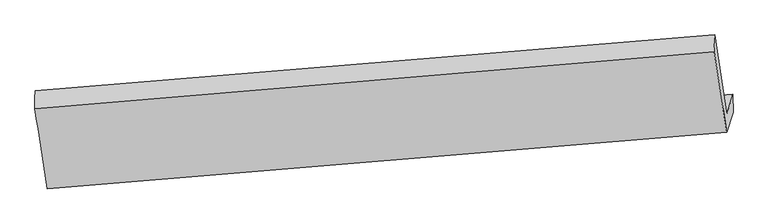
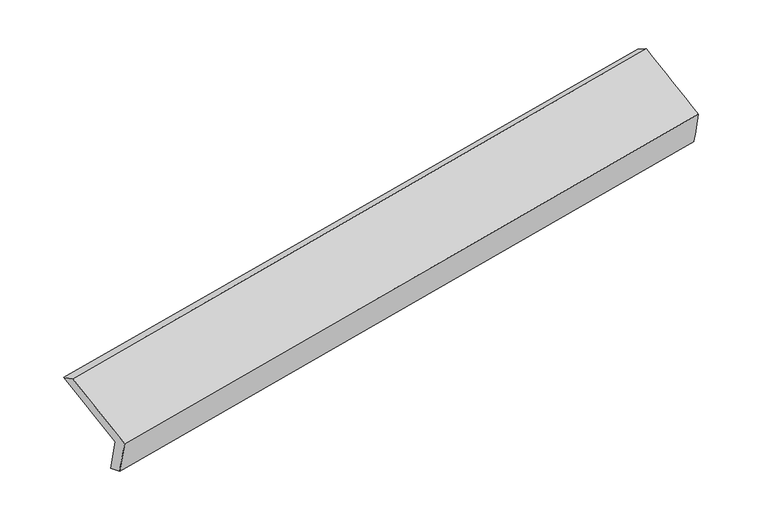
"""IFC4 building model written with IfcOpenShell, lengths in millimetres: proxy geometry."""

from ifc_helpers import new_model, si_unit, frame, origin, place, context, project, spatial, source, transform, mapped, element, save
from ifc_brep_helpers import plane_surface, spline_surface, advanced_brep


def generic_models_6b9156fa(model_context):
    return source(origin(), model_context, "Body", "AdvancedBrep", [
        advanced_brep(
        [(-5442.2676266, -1907.1320783, 1466.7080723), (-5536.4397177, -1298.8895559, 1718.803676), (-341.7768734, -870.430329, 2632.8148868), (-247.7741132, -1475.1460975, 2382.2321274), (-5395.1018305, -1755.7930042, 1119.1845247), (-201.1729244, -1325.6186572, 2038.8686781), (-5392.5498823, -1884.819567, 1166.9650317), (-200.4143361, -1460.9939538, 2100.4919682), (-5442.6154439, -2045.4630072, 1535.8544185), (-249.6124782, -1612.6982513, 2459.9877359), (-5537.3556513, -1433.5511125, 1789.4708508), (-345.1502845, -998.1075963, 2714.6624612)],
        [
            (0, 1),
            (1, 2),
            (2, 3),
            (3, 0),
            (4, 0),
            (3, 5),
            (5, 4),
            (6, 4),
            (5, 7),
            (7, 6),
            (8, 6),
            (7, 9),
            (9, 8),
            (10, 8),
            (9, 11),
            (11, 10),
            (1, 10),
            (11, 2),
        ],
        [
            spline_surface(1, 1, [[(-5442.2676266, -1907.1320783, 1466.7080723), (-247.7741132, -1475.1460975, 2382.2321274)], [(-5536.4397177, -1298.8895559, 1718.803676), (-341.7768734, -870.430329, 2632.8148868)]], [2, 2], [2, 2], [0.0, 1.0], [0.0, 1.0]),
            plane_surface(frame((-5418.6847286, -1831.4625412, 1292.9462985), z_axis=(-0.14280826098531363, 0.914387972587686, 0.37881451421682877), x_axis=(-0.12348051051770836, -0.3962071601674231, 0.9098200095372448))),
            spline_surface(1, 1, [[(-5392.5498823, -1884.819567, 1166.9650317), (-200.4143361, -1460.9939538, 2100.4919682)], [(-5395.1018305, -1755.7930042, 1119.1845247), (-201.1729244, -1325.6186572, 2038.8686781)]], [2, 2], [2, 2], [0.0, 1.0], [0.0, 1.0]),
            spline_surface(1, 1, [[(-5442.6154439, -2045.4630072, 1535.8544185), (-249.6124782, -1612.6982513, 2459.9877359)], [(-5392.5498823, -1884.819567, 1166.9650317), (-200.4143361, -1460.9939538, 2100.4919682)]], [2, 2], [2, 2], [0.0, 1.0], [0.0, 1.0]),
            spline_surface(1, 1, [[(-5537.3556513, -1433.5511125, 1789.4708508), (-345.1502845, -998.1075963, 2714.6624612)], [(-5442.6154439, -2045.4630072, 1535.8544185), (-249.6124782, -1612.6982513, 2459.9877359)]], [2, 2], [2, 2], [0.0, 1.0], [0.0, 1.0]),
            spline_surface(1, 1, [[(-5536.4397177, -1298.8895559, 1718.803676), (-341.7768734, -870.430329, 2632.8148868)], [(-5537.3556513, -1433.5511125, 1789.4708508), (-345.1502845, -998.1075963, 2714.6624612)]], [2, 2], [2, 2], [0.0, 1.0], [0.0, 1.0]),
            plane_surface(frame((-264.316835, -1290.4991475, 2388.1763096), z_axis=(0.9821130295389506, 0.0825404847568789, 0.16923671465117696), x_axis=(0.1250958928981669, 0.3857378294356355, -0.9140882586065172))),
            plane_surface(frame((-5457.7216921, -1720.9413875, 1466.164429), z_axis=(-0.9821942594922326, -0.08201688676022698, -0.16901972342500454), x_axis=(0.1415874293249093, -0.9144906322747309, -0.3790249112379378))),
        ],
        [
            (0, [[1, 2, 3, 4]]),
            (1, [[5, -4, 6, 7]]),
            (2, [[8, -7, 9, 10]]),
            (3, [[11, -10, 12, 13]]),
            (4, [[14, -13, 15, 16]]),
            (5, [[17, -16, 18, -2]]),
            (6, [[-12, -9, -6, -3, -18, -15]]),
            (7, [[-1, -5, -8, -11, -14, -17]]),
        ],
    ),
    ])


if __name__ == "__main__":
    model = new_model("IFC4")
    model_context = context("Model", 3, world=origin())
    ifc_project = project(units=[si_unit("LENGTHUNIT", "METRE", prefix="MILLI")], contexts=[model_context])
    site = spatial("IfcSite", under=ifc_project)
    building = spatial("IfcBuilding", under=site)
    placement = place(None, origin())
    generic_models_shape = generic_models_6b9156fa(model_context)
    element("IfcBuildingElementProxy", 1, Name="Generic Models", at=placement, inside=building, context=model_context, shape_type="MappedRepresentation", body=[
        mapped(generic_models_shape, transform((0.0, 0.0, 0.0), x_axis=(1.0, 0.0, 0.0), y_axis=(0.0, 1.0, 0.0), z_axis=(0.0, 0.0, 1.0))),
    ])
    save(model, "model.ifc")
